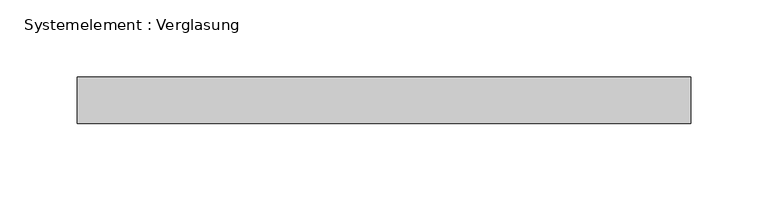
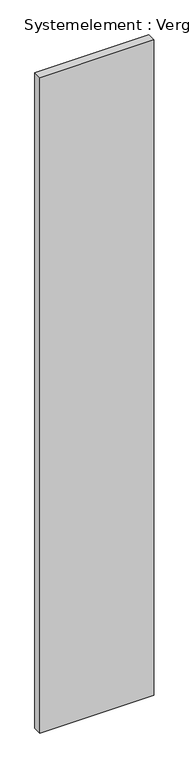
"""IFC4 building model written with IfcOpenShell, lengths in millimetres: plate geometry, Systemelement : Verglasung."""

from ifc_helpers import new_model, si_unit, origin, origin_with_axes, place, context, project, spatial, polyline, outline, extrude, source, transform, mapped, element, save


def systemelement_verglasung_fc40dc15(model_context):
    return source(origin(), model_context, "Body", "SweptSolid", [
        extrude(outline(polyline([(197.8125, -15.0), (-197.8125, -15.0), (-197.8125, 15.0), (197.8125, 15.0), (197.8125, -15.0)])), origin_with_axes(), (0.0, 0.0, 1.0), 2410.0),
    ])


if __name__ == "__main__":
    model = new_model("IFC4")
    model_context = context("Model", 3, world=origin())
    ifc_project = project(units=[si_unit("LENGTHUNIT", "METRE", prefix="MILLI")], contexts=[model_context])
    site = spatial("IfcSite", under=ifc_project)
    building = spatial("IfcBuilding", under=site)
    placement = place(None, origin())
    systemelement_verglasung_shape = systemelement_verglasung_fc40dc15(model_context)
    element("IfcPlate", 1, ObjectType="Systemelement : Verglasung", at=placement, inside=building, context=model_context, shape_type="MappedRepresentation", body=[
        mapped(systemelement_verglasung_shape, transform((0.0, 0.0, 0.0), x_axis=(1.0, 0.0, 0.0), y_axis=(0.0, 1.0, 0.0), z_axis=(0.0, 0.0, 1.0))),
    ])
    save(model, "model.ifc")
